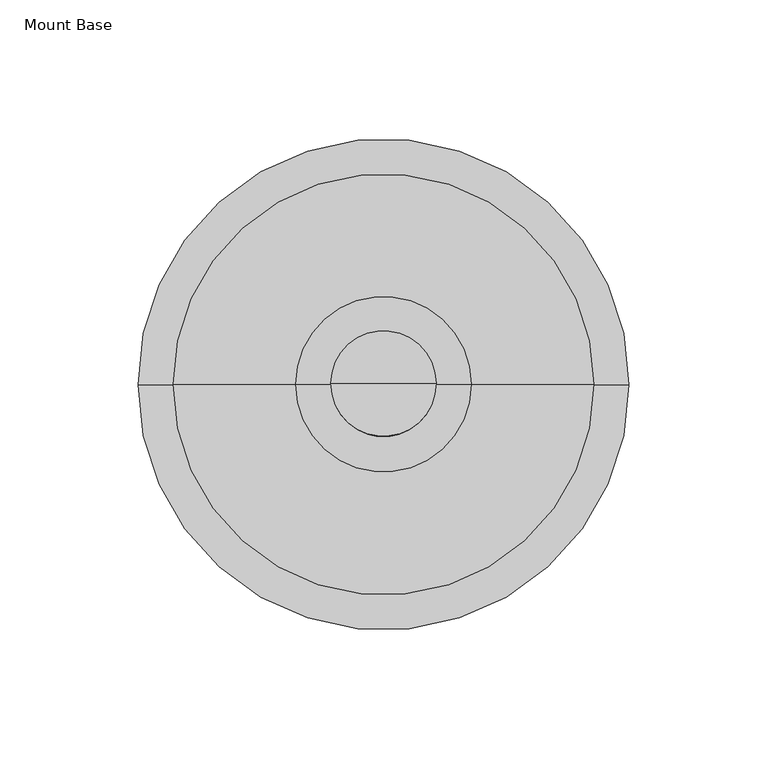
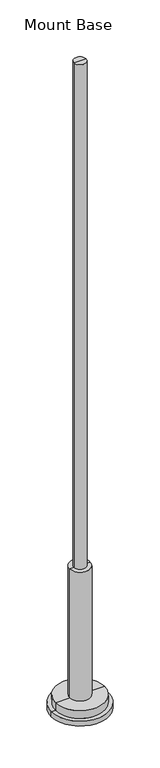
"""IFC4 building model written with IfcOpenShell, lengths in millimetres: furniture geometry, Mount Base."""

from ifc_helpers import new_model, si_unit, frame, origin, place, context, project, spatial, circle_curve, source, transform, mapped, element, save
from ifc_brep_helpers import plane_surface, cylinder_surface, advanced_brep


def mount_base_1727d9de(model_context):
    return source(origin(), model_context, "Body", "AdvancedBrep", [
        advanced_brep(
        [(-88.9, -4.0299408, 15.8750008), (88.9, -4.0299408, 15.8750008), (88.9, -4.0299408, 0.0), (-88.9, -4.0299408, 0.0), (-76.2, -4.0299408, 15.8750008), (76.2, -4.0299408, 15.8750008), (-76.2, -4.0299408, 41.2750008), (76.2, -4.0299408, 41.2750008), (0.0, -4.0299408, 41.2750008), (0.0, -4.0299408, 0.0)],
        [
            (0, 1, circle_curve(frame((0.0, -4.0299408, 15.8750008), z_axis=(0.0, 0.0, -1.0), x_axis=(1.0, 0.0, 0.0)), 88.9)),
            (1, 2),
            (2, 3, circle_curve(frame((0.0, -4.0299408, 0.0), z_axis=(0.0, 0.0, 1.0), x_axis=(1.0, 0.0, 0.0)), 88.9)),
            (3, 0),
            (1, 0, circle_curve(frame((0.0, -4.0299408, 15.8750008), z_axis=(0.0, 0.0, -1.0), x_axis=(1.0, 0.0, 0.0)), 88.9)),
            (3, 2, circle_curve(frame((0.0, -4.0299408, 0.0), z_axis=(0.0, 0.0, 1.0), x_axis=(1.0, 0.0, 0.0)), 88.9)),
            (4, 5, circle_curve(frame((0.0, -4.0299408, 15.8750008), z_axis=(0.0, 0.0, -1.0), x_axis=(1.0, 0.0, 0.0)), 76.2)),
            (5, 1),
            (0, 4),
            (5, 4, circle_curve(frame((0.0, -4.0299408, 15.8750008), z_axis=(0.0, 0.0, -1.0), x_axis=(1.0, 0.0, 0.0)), 76.2)),
            (6, 7, circle_curve(frame((0.0, -4.0299408, 41.2750008), z_axis=(0.0, 0.0, -1.0), x_axis=(1.0, 0.0, 0.0)), 76.2)),
            (7, 5),
            (4, 6),
            (7, 6, circle_curve(frame((0.0, -4.0299408, 41.2750008), z_axis=(0.0, 0.0, -1.0), x_axis=(1.0, 0.0, 0.0)), 76.2)),
            (8, 7),
            (6, 8),
            (2, 9),
            (9, 3),
        ],
        [
            cylinder_surface(frame((0.0, -4.0299408, 161.9250008), z_axis=(0.0, 0.0, 1.0), x_axis=(1.0, 0.0, 0.0)), 88.9),
            plane_surface(frame((0.0, -4.0299408, 15.8750008), z_axis=(0.0, 0.0, 1.0), x_axis=(1.0, 0.0, 0.0))),
            cylinder_surface(frame((0.0, -4.0299408, 161.9250008), z_axis=(0.0, 0.0, 1.0), x_axis=(1.0, 0.0, 0.0)), 76.2),
            plane_surface(frame((0.0, -4.0299408, 41.2750008), z_axis=(0.0, 0.0, 1.0), x_axis=(1.0, 0.0, 0.0))),
            plane_surface(frame((0.0, -4.0299408, 0.0), z_axis=(0.0, 0.0, -1.0), x_axis=(1.0, 0.0, 0.0))),
        ],
        [
            (0, [[1, 2, 3, 4]]),
            (0, [[5, -4, 6, -2]]),
            (1, [[7, 8, -1, 9]]),
            (1, [[10, -9, -5, -8]]),
            (2, [[11, 12, -7, 13]]),
            (2, [[14, -13, -10, -12]]),
            (3, [[15, -11, 16]]),
            (3, [[-16, -14, -15]]),
            (4, [[-3, 17, 18]]),
            (4, [[-6, -18, -17]]),
        ],
    ),
        advanced_brep(
        [(-19.05, -4.0299408, 463.5500121), (19.05, -4.0299408, 463.5500121), (31.7499992, -4.0299408, 463.5500121), (-31.7499992, -4.0299408, 463.5500121), (-19.05, -4.0299408, 2114.55), (19.05, -4.0299408, 2114.55), (0.0, -4.0299408, 2114.55), (-31.7499992, -4.0299408, 25.4), (31.7499992, -4.0299408, 25.4), (0.0, -4.0299408, 25.4)],
        [
            (0, 1, circle_curve(frame((0.0, -4.0299408, 463.5500121), z_axis=(0.0, 0.0, -1.0), x_axis=(1.0, 0.0, 0.0)), 19.05)),
            (1, 2),
            (2, 3, circle_curve(frame((0.0, -4.0299408, 463.5500121), z_axis=(0.0, 0.0, 1.0), x_axis=(1.0, 0.0, 0.0)), 31.7499992)),
            (3, 0),
            (1, 0, circle_curve(frame((0.0, -4.0299408, 463.5500121), z_axis=(0.0, 0.0, -1.0), x_axis=(1.0, 0.0, 0.0)), 19.05)),
            (3, 2, circle_curve(frame((0.0, -4.0299408, 463.5500121), z_axis=(0.0, 0.0, 1.0), x_axis=(1.0, 0.0, 0.0)), 31.7499992)),
            (4, 5, circle_curve(frame((0.0, -4.0299408, 2114.55), z_axis=(0.0, 0.0, -1.0), x_axis=(1.0, 0.0, 0.0)), 19.05)),
            (5, 1),
            (0, 4),
            (5, 4, circle_curve(frame((0.0, -4.0299408, 2114.55), z_axis=(0.0, 0.0, -1.0), x_axis=(1.0, 0.0, 0.0)), 19.05)),
            (6, 5),
            (4, 6),
            (7, 8, circle_curve(frame((0.0, -4.0299408, 25.4), z_axis=(0.0, 0.0, -1.0), x_axis=(1.0, 0.0, 0.0)), 31.7499992)),
            (8, 9),
            (9, 7),
            (8, 7, circle_curve(frame((0.0, -4.0299408, 25.4), z_axis=(0.0, 0.0, -1.0), x_axis=(1.0, 0.0, 0.0)), 31.7499992)),
            (2, 8),
            (7, 3),
        ],
        [
            plane_surface(frame((0.0, -4.0299408, 463.5500121), z_axis=(0.0, 0.0, 1.0), x_axis=(1.0, 0.0, 0.0))),
            cylinder_surface(frame((0.0, -4.0299408, 2978.15), z_axis=(0.0, 0.0, 1.0), x_axis=(1.0, 0.0, 0.0)), 19.05),
            plane_surface(frame((0.0, -4.0299408, 2114.55), z_axis=(0.0, 0.0, 1.0), x_axis=(1.0, 0.0, 0.0))),
            plane_surface(frame((0.0, -4.0299408, 25.4), z_axis=(0.0, 0.0, -1.0), x_axis=(1.0, 0.0, 0.0))),
            cylinder_surface(frame((0.0, -4.0299408, 2978.15), z_axis=(0.0, 0.0, 1.0), x_axis=(1.0, 0.0, 0.0)), 31.7499992),
        ],
        [
            (0, [[1, 2, 3, 4]]),
            (0, [[5, -4, 6, -2]]),
            (1, [[7, 8, -1, 9]]),
            (1, [[10, -9, -5, -8]]),
            (2, [[11, -7, 12]]),
            (2, [[-12, -10, -11]]),
            (3, [[13, 14, 15]]),
            (3, [[16, -15, -14]]),
            (4, [[-3, 17, -13, 18]]),
            (4, [[-6, -18, -16, -17]]),
        ],
    ),
    ])


if __name__ == "__main__":
    model = new_model("IFC4")
    model_context = context("Model", 3, world=origin())
    ifc_project = project(units=[si_unit("LENGTHUNIT", "METRE", prefix="MILLI")], contexts=[model_context])
    site = spatial("IfcSite", under=ifc_project)
    building = spatial("IfcBuilding", under=site)
    placement = place(None, origin())
    mount_base_shape = mount_base_1727d9de(model_context)
    element("IfcFurniture", 1, ObjectType="Mount Base", at=placement, inside=building, context=model_context, shape_type="MappedRepresentation", body=[
        mapped(mount_base_shape, transform((0.0, 0.0, 0.0), x_axis=(1.0, 0.0, 0.0), y_axis=(0.0, 1.0, 0.0), z_axis=(0.0, 0.0, 1.0))),
    ])
    save(model, "model.ifc")
